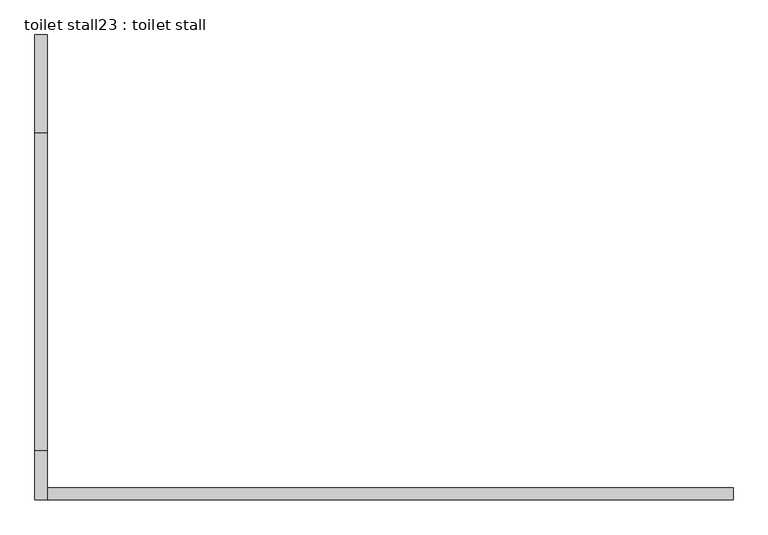
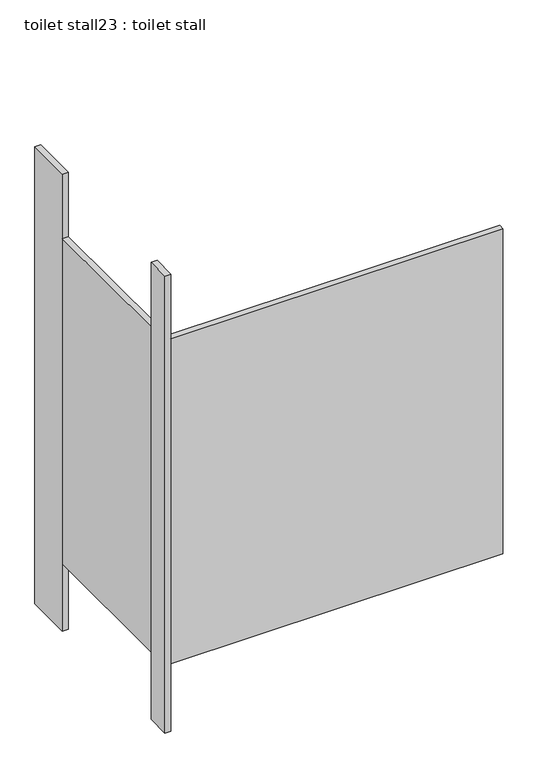
"""IFC4 building model written with IfcOpenShell, lengths in millimetres: proxy geometry, toilet stall23 : toilet stall."""

from ifc_helpers import new_model, si_unit, frame, origin, origin_with_axes, place, context, project, spatial, polyline, outline, extrude, source, transform, mapped, element, save


def toilet_stall23_toilet_stall_bd286a25(model_context):
    return source(origin(), model_context, "Body", "SweptSolid", [
        extrude(outline(polyline([(454658.2004676, -332294.7205223), (454632.8004676, -332294.7205223), (454632.8004676, -332091.5205223), (454658.2004676, -332091.5205223), (454658.2004676, -332294.7205223)])), origin_with_axes(), (0.0, 0.0, 1.0), 2070.1),
        extrude(outline(polyline([(454658.2004676, -333056.7205223), (454632.8004676, -333056.7205223), (454632.8004676, -332955.1205223), (454658.2004676, -332955.1205223), (454658.2004676, -333056.7205223)])), origin_with_axes(), (0.0, 0.0, 1.0), 2070.1),
        extrude(outline(polyline([(454658.2004676, -333056.7205223), (454658.2004676, -333031.3205223), (456080.6004676, -333031.3205223), (456080.6004676, -333056.7205223), (454658.2004676, -333056.7205223)])), frame((0.0, 0.0, 304.8), z_axis=(0.0, 0.0, 1.0), x_axis=(1.0, 0.0, 0.0)), (0.0, 0.0, 1.0), 1473.2),
        extrude(outline(polyline([(454658.2004676, -332955.1205223), (454632.8004676, -332955.1205223), (454632.8004676, -332294.7205223), (454658.2004676, -332294.7205223), (454658.2004676, -332955.1205223)])), frame((0.0, 0.0, 304.8), z_axis=(0.0, 0.0, 1.0), x_axis=(1.0, 0.0, 0.0)), (0.0, 0.0, 1.0), 1473.2),
    ])


if __name__ == "__main__":
    model = new_model("IFC4")
    model_context = context("Model", 3, world=origin())
    ifc_project = project(units=[si_unit("LENGTHUNIT", "METRE", prefix="MILLI")], contexts=[model_context])
    site = spatial("IfcSite", under=ifc_project)
    building = spatial("IfcBuilding", under=site)
    placement = place(None, origin())
    toilet_stall23_toilet_stall_shape = toilet_stall23_toilet_stall_bd286a25(model_context)
    element("IfcBuildingElementProxy", 1, Name="toilet stall23 : toilet stall", ObjectType="toilet stall23 : toilet stall", at=placement, inside=building, context=model_context, shape_type="MappedRepresentation", body=[
        mapped(toilet_stall23_toilet_stall_shape, transform((0.0, 0.0, 0.0), x_axis=(1.0, 0.0, 0.0), y_axis=(0.0, 1.0, 0.0), z_axis=(0.0, 0.0, 1.0))),
    ])
    save(model, "model.ifc")
